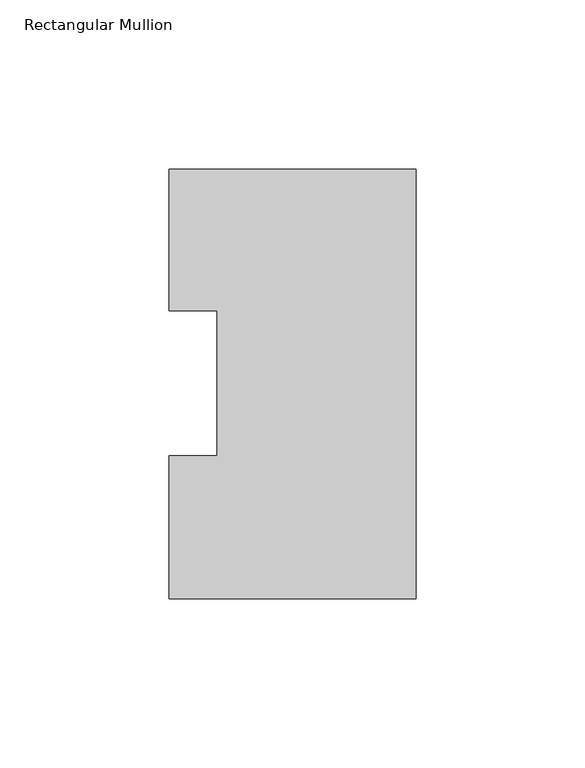
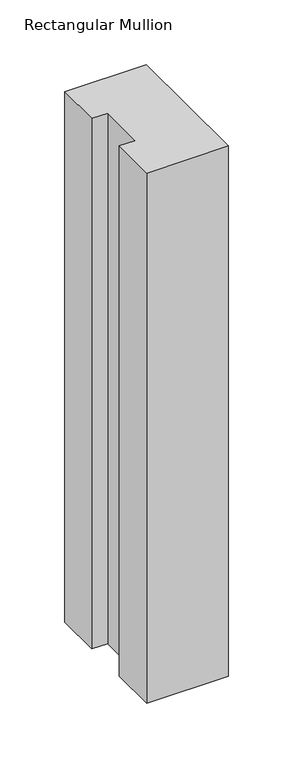
"""IFC4 building model written with IfcOpenShell, lengths in millimetres: member geometry, Rectangular Mullion."""

from ifc_helpers import new_model, si_unit, frame, origin, place, context, project, spatial, polyline, outline, extrude, source, transform, mapped, element, save


def rectangular_mullion_c86932d2(model_context):
    return source(origin(), model_context, "Body", "SweptSolid", [
        extrude(outline(polyline([(0.0, 126.9888875), (0.0, -0.0111125), (-73.025, -0.0111125), (-73.025, 42.2798875), (-58.7375, 42.2798875), (-58.7375, 85.1296875), (-73.025, 85.1296875), (-73.025, 126.9888875), (0.0, 126.9888875)])), frame((0.0, 0.0, -501.65), z_axis=(0.0, 0.0, 1.0), x_axis=(1.0, 0.0, 0.0)), (0.0, 0.0, 1.0), 501.65),
    ])


if __name__ == "__main__":
    model = new_model("IFC4")
    model_context = context("Model", 3, world=origin())
    ifc_project = project(units=[si_unit("LENGTHUNIT", "METRE", prefix="MILLI")], contexts=[model_context])
    site = spatial("IfcSite", under=ifc_project)
    building = spatial("IfcBuilding", under=site)
    placement = place(None, origin())
    rectangular_mullion_shape = rectangular_mullion_c86932d2(model_context)
    element("IfcMember", 1, ObjectType="Rectangular Mullion", at=placement, inside=building, context=model_context, shape_type="MappedRepresentation", body=[
        mapped(rectangular_mullion_shape, transform((0.0, 0.0, 0.0), x_axis=(1.0, 0.0, 0.0), y_axis=(0.0, 1.0, 0.0), z_axis=(0.0, 0.0, 1.0))),
    ])
    save(model, "model.ifc")
